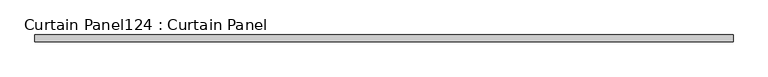
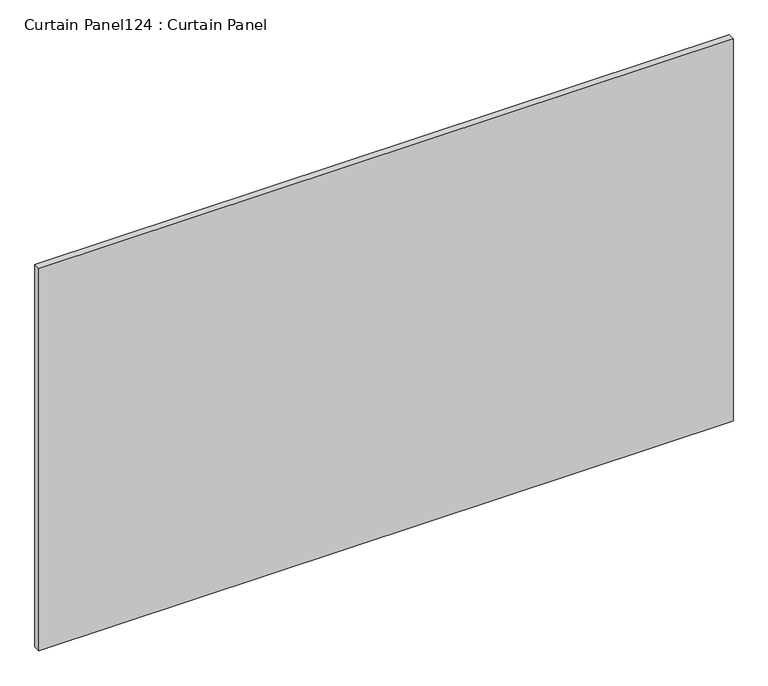
"""IFC4 building model written with IfcOpenShell, lengths in millimetres: plate geometry, Curtain Panel124 : Curtain Panel."""

from ifc_helpers import new_model, si_unit, frame, origin, place, context, project, spatial, polyline, outline, extrude, source, transform, mapped, element, save


def curtain_panel124_curtain_panel_c81b40ca(model_context):
    return source(origin(), model_context, "Body", "SweptSolid", [
        extrude(outline(polyline([(277055.3063541, 2417.6234836), (274464.5063541, 2417.6234836), (274464.5063541, 2443.0234836), (277055.3063541, 2443.0234836), (277055.3063541, 2417.6234836)])), frame((0.0, 0.0, 6452.8686111), z_axis=(0.0, 0.0, 1.0), x_axis=(1.0, 0.0, 0.0)), (0.0, 0.0, 1.0), 1509.3563226),
    ])


if __name__ == "__main__":
    model = new_model("IFC4")
    model_context = context("Model", 3, world=origin())
    ifc_project = project(units=[si_unit("LENGTHUNIT", "METRE", prefix="MILLI")], contexts=[model_context])
    site = spatial("IfcSite", under=ifc_project)
    building = spatial("IfcBuilding", under=site)
    placement = place(None, origin())
    curtain_panel124_curtain_panel_shape = curtain_panel124_curtain_panel_c81b40ca(model_context)
    element("IfcPlate", 1, ObjectType="Curtain Panel124 : Curtain Panel", at=placement, inside=building, context=model_context, shape_type="MappedRepresentation", body=[
        mapped(curtain_panel124_curtain_panel_shape, transform((0.0, 0.0, 0.0), x_axis=(1.0, 0.0, 0.0), y_axis=(0.0, 1.0, 0.0), z_axis=(0.0, 0.0, 1.0))),
    ])
    save(model, "model.ifc")
